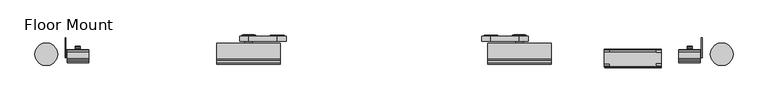
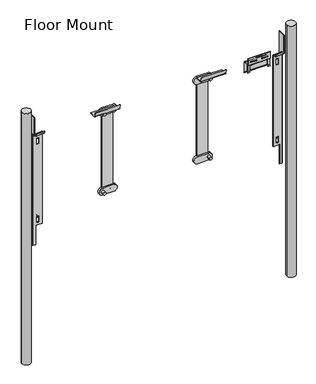
"""IFC4 building model written with IfcOpenShell, lengths in millimetres: furniture geometry, Floor Mount."""

from ifc_helpers import new_model, si_unit, point, frame, frame_2d, origin, place, context, project, spatial, polyline, circle_curve, trimmed, segment, composite_curve, outline, extrude, source, transform, mapped, element, save
from ifc_brep_helpers import plane_surface, cylinder_surface, revolved_surface, advanced_brep


def floor_mount_7f1169d4(model_context):
    return source(origin(), model_context, "Body", "SolidModel", [
        advanced_brep(
        [(1760.8806961, 10.8261246, 1726.6775513), (1760.8806961, 5.7461246, 1721.5975513), (1760.8806961, 5.7461246, 1676.8647449), (1760.8806961, 3.2667156, 1667.5526718), (1760.8806961, 5.3049075, 1667.009988), (1760.8806961, 7.8554071, 1676.5890606), (1760.8806961, 7.8554071, 1722.0281839), (1760.8806961, 10.3954071, 1724.5681839), (1760.8806961, 44.3963822, 1724.5681839), (1760.8806961, 46.9363822, 1722.0281839), (1760.8806961, 46.9363822, 1651.6051776), (1760.8806961, 49.5053746, 1642.0175675), (1760.8806961, 51.5428205, 1642.5634995), (1760.8806961, 49.0456951, 1651.8828981), (1760.8806961, 49.0456951, 1721.5975513), (1760.8806961, 43.9656951, 1726.6775513), (1745.8804489, 10.3954071, 1724.5681839), (1745.8804489, 7.8554071, 1722.0281839), (1745.8804489, 7.8554071, 1676.5890606), (1745.8804489, 5.3049075, 1667.009988), (1745.8804489, 3.2667156, 1667.5526718), (1745.8804489, 5.7461246, 1676.8647449), (1745.8804489, 5.7461246, 1721.5975513), (1745.8804489, 6.7052337, 1724.5681839), (1745.8804489, 10.8261246, 1726.6775513), (1745.8804489, 4.9316273, 1724.5681839), (1615.8884804, 4.9316273, 1724.5681839), (1615.8884804, 6.7052337, 1724.5681839), (1615.8884804, 10.3954071, 1724.5681839), (1600.8882332, 10.3954071, 1724.5681839), (1600.8882332, 44.3963822, 1724.5681839), (1615.8884804, 44.3963822, 1724.5681839), (1745.8804489, 44.3963822, 1724.5681839), (1745.8804489, 46.9363822, 1722.0281839), (1615.8884804, 46.9363822, 1722.0281839), (1600.8882332, 46.9363822, 1722.0281839), (1600.8882332, 46.9363822, 1651.6051776), (1600.8882332, 49.0456951, 1651.8828981), (1600.8882332, 49.0456951, 1721.5975513), (1615.8884804, 49.0456951, 1721.5975513), (1745.8804489, 49.0456951, 1721.5975513), (1745.8804489, 43.9656951, 1726.6775513), (1615.8884804, 43.9656951, 1726.6775513), (1600.8882332, 43.9656951, 1726.6775513), (1600.8882332, 10.8261246, 1726.6775513), (1615.8884804, 10.8261246, 1726.6775513), (1615.8884804, 4.9316273, 1726.6775513), (1745.8804489, 4.9316273, 1726.6775513), (1600.8882332, 49.5053746, 1642.0175675), (1600.8882332, 51.5428205, 1642.5634995), (1615.8884804, 5.7461246, 1721.5975513), (1615.8884804, 5.7461246, 1676.8647449), (1615.8884804, 3.2667156, 1667.5526718), (1615.8884804, 5.3049075, 1667.009988), (1615.8884804, 7.8554071, 1676.5890606), (1615.8884804, 7.8554071, 1722.0281839), (1600.8882332, 7.8554071, 1722.0281839), (1600.8882332, 7.8554071, 1676.5890606), (1600.8882332, 5.3049075, 1667.009988), (1600.8882332, 3.2667156, 1667.5526718), (1600.8882332, 5.7461246, 1676.8647449), (1600.8882332, 5.7461246, 1721.5975513)],
        [
            (0, 1, circle_curve(frame((1760.8806961, 10.8261246, 1721.5975513), z_axis=(1.0, 0.0, 0.0), x_axis=(0.0, 1.0, 0.0)), 5.08)),
            (1, 2),
            (2, 3),
            (3, 4),
            (4, 5),
            (5, 6),
            (6, 7, circle_curve(frame((1760.8806961, 10.3954071, 1722.0281839), z_axis=(-1.0, 0.0, 0.0), x_axis=(0.0, 1.0, 0.0)), 2.54)),
            (7, 8),
            (8, 9, circle_curve(frame((1760.8806961, 44.3963822, 1722.0281839), z_axis=(-1.0, 0.0, 0.0), x_axis=(0.0, 1.0, 0.0)), 2.54)),
            (9, 10),
            (10, 11),
            (11, 12),
            (12, 13),
            (13, 14),
            (14, 15, circle_curve(frame((1760.8806961, 43.9656951, 1721.5975513), z_axis=(1.0, 0.0, 0.0), x_axis=(0.0, 1.0, 0.0)), 5.08)),
            (15, 0),
            (16, 17, circle_curve(frame((1745.8804489, 10.3954071, 1722.0281839), z_axis=(1.0, 0.0, 0.0), x_axis=(0.0, 1.0, 0.0)), 2.54)),
            (17, 18),
            (18, 19),
            (19, 20),
            (20, 21),
            (21, 22),
            (22, 23, circle_curve(frame((1745.8804489, 10.8261246, 1721.5975513), z_axis=(-1.0, 0.0, 0.0), x_axis=(0.0, 1.0, 0.0)), 5.08)),
            (23, 16),
            (0, 24),
            (24, 23, circle_curve(frame((1745.8804489, 10.8261246, 1721.5975513), z_axis=(1.0, 0.0, 0.0), x_axis=(0.0, 1.0, 0.0)), 5.08)),
            (22, 1),
            (21, 2),
            (20, 3),
            (19, 4),
            (18, 5),
            (17, 6),
            (16, 7),
            (23, 25),
            (25, 26),
            (26, 27),
            (27, 28),
            (28, 29),
            (29, 30),
            (30, 31),
            (31, 32),
            (32, 8),
            (32, 33, circle_curve(frame((1745.8804489, 44.3963822, 1722.0281839), z_axis=(-1.0, 0.0, 0.0), x_axis=(0.0, 1.0, 0.0)), 2.54)),
            (33, 9),
            (33, 34),
            (34, 35),
            (35, 36),
            (36, 10),
            (13, 37),
            (37, 38),
            (38, 39),
            (39, 40),
            (40, 14),
            (40, 41, circle_curve(frame((1745.8804489, 43.9656951, 1721.5975513), z_axis=(1.0, 0.0, 0.0), x_axis=(0.0, 1.0, 0.0)), 5.08)),
            (41, 15),
            (41, 42),
            (42, 43),
            (43, 44),
            (44, 45),
            (45, 46),
            (46, 47),
            (47, 24),
            (36, 48),
            (48, 11),
            (48, 49),
            (49, 12),
            (49, 37),
            (47, 25),
            (26, 46),
            (45, 27, circle_curve(frame((1615.8884804, 10.8261246, 1721.5975513), z_axis=(1.0, 0.0, 0.0), x_axis=(0.0, 1.0, 0.0)), 5.08)),
            (31, 34, circle_curve(frame((1615.8884804, 44.3963822, 1722.0281839), z_axis=(-1.0, 0.0, 0.0), x_axis=(0.0, 1.0, 0.0)), 2.54)),
            (39, 42, circle_curve(frame((1615.8884804, 43.9656951, 1721.5975513), z_axis=(1.0, 0.0, 0.0), x_axis=(0.0, 1.0, 0.0)), 5.08)),
            (50, 51),
            (51, 52),
            (52, 53),
            (53, 54),
            (54, 55),
            (55, 28, circle_curve(frame((1615.8884804, 10.3954071, 1722.0281839), z_axis=(-1.0, 0.0, 0.0), x_axis=(0.0, 1.0, 0.0)), 2.54)),
            (27, 50, circle_curve(frame((1615.8884804, 10.8261246, 1721.5975513), z_axis=(1.0, 0.0, 0.0), x_axis=(0.0, 1.0, 0.0)), 5.08)),
            (43, 38, circle_curve(frame((1600.8882332, 43.9656951, 1721.5975513), z_axis=(-1.0, 0.0, 0.0), x_axis=(0.0, 1.0, 0.0)), 5.08)),
            (35, 30, circle_curve(frame((1600.8882332, 44.3963822, 1722.0281839), z_axis=(1.0, 0.0, 0.0), x_axis=(0.0, 1.0, 0.0)), 2.54)),
            (29, 56, circle_curve(frame((1600.8882332, 10.3954071, 1722.0281839), z_axis=(1.0, 0.0, 0.0), x_axis=(0.0, 1.0, 0.0)), 2.54)),
            (56, 57),
            (57, 58),
            (58, 59),
            (59, 60),
            (60, 61),
            (61, 44, circle_curve(frame((1600.8882332, 10.8261246, 1721.5975513), z_axis=(-1.0, 0.0, 0.0), x_axis=(0.0, 1.0, 0.0)), 5.08)),
            (61, 50),
            (60, 51),
            (59, 52),
            (58, 53),
            (57, 54),
            (56, 55),
        ],
        [
            plane_surface(frame((1760.8806961, 15.9061246, 1721.5975513), z_axis=(1.0, 0.0, 0.0), x_axis=(0.0, 0.0, 1.0))),
            plane_surface(frame((1745.8804489, 15.9061246, 1721.5975513), z_axis=(-1.0, 0.0, 0.0), x_axis=(0.0, 0.0, -1.0))),
            cylinder_surface(frame((1745.8804489, 10.8261246, 1721.5975513), z_axis=(1.0, 0.0, 0.0), x_axis=(0.0, 1.0, 0.0)), 5.08),
            plane_surface(frame((1760.8806961, 5.7461246, 1721.5975513), z_axis=(0.0, -1.0, 0.0), x_axis=(-1.0, 0.0, 0.0))),
            plane_surface(frame((1760.8806961, 5.7461246, 1676.8647449), z_axis=(0.0, -0.966333314937854, 0.25729345977155826), x_axis=(-1.0, 0.0, 0.0))),
            plane_surface(frame((1760.8806961, 3.2667156, 1667.5526718), z_axis=(0.0, -0.2572934597715108, -0.9663333149378666), x_axis=(-1.0, 0.0, 0.0))),
            plane_surface(frame((1760.8806961, 5.3049075, 1667.009988), z_axis=(0.0, 0.9663333149378529, -0.257293459771562), x_axis=(-1.0, 0.0, 0.0))),
            plane_surface(frame((1760.8806961, 7.8554071, 1676.5890606), z_axis=(0.0, 1.0, 0.0), x_axis=(-1.0, 0.0, 0.0))),
            revolved_surface(polyline([(1745.8804489, 12.935407099999999, 1722.0281839), (1760.8806961, 12.935407099999999, 1722.0281839)]), (1745.8804489, 10.3954071, 1722.0281839), (-1.0, 0.0, 0.0)),
            plane_surface(frame((1760.8806961, 10.3954071, 1724.5681839), z_axis=(0.0, 0.0, -1.0), x_axis=(-1.0, 0.0, 0.0))),
            revolved_surface(polyline([(1745.8804489, 46.9363822, 1722.0281839), (1760.8806961, 46.9363822, 1722.0281839)]), (1745.8804489, 44.3963822, 1722.0281839), (-1.0, 0.0, 0.0)),
            plane_surface(frame((1760.8806961, 46.9363822, 1722.0281839), z_axis=(0.0, -1.0, 0.0), x_axis=(-1.0, 0.0, 0.0))),
            plane_surface(frame((1760.8806961, 49.0456951, 1651.8828981), z_axis=(0.0, 1.0, 0.0), x_axis=(-1.0, 0.0, 0.0))),
            cylinder_surface(frame((1745.8804489, 43.9656951, 1721.5975513), z_axis=(1.0, 0.0, 0.0), x_axis=(0.0, 1.0, 0.0)), 5.08),
            plane_surface(frame((1760.8806961, 43.9656951, 1726.6775513), z_axis=(0.0, 0.0, 1.0), x_axis=(-1.0, 0.0, 0.0))),
            plane_surface(frame((1760.8806961, 46.9363822, 1651.6051776), z_axis=(0.0, -0.9659258262890699, -0.25881904510251513), x_axis=(-1.0, 0.0, 0.0))),
            plane_surface(frame((1760.8806961, 49.5053746, 1642.0175675), z_axis=(0.0, 0.2588190451025379, -0.9659258262890638), x_axis=(-1.0, 0.0, 0.0))),
            plane_surface(frame((1760.8806961, 51.5428205, 1642.5634995), z_axis=(0.0, 0.9659258262890699, 0.258819045102515), x_axis=(-1.0, 0.0, 0.0))),
            plane_surface(frame((1745.8804489, 10.3954071, 1724.5681839), z_axis=(1.0, 0.0, 0.0), x_axis=(0.0, 1.0, 0.0))),
            plane_surface(frame((1615.8884804, 10.3954071, 1724.5681839), z_axis=(-1.0, 0.0, 0.0), x_axis=(0.0, -1.0, 0.0))),
            revolved_surface(polyline([(1615.8884804, 46.9363822, 1722.0281839), (1745.8804489, 46.9363822, 1722.0281839)]), (1615.8884804, 44.3963822, 1722.0281839), (-1.0, 0.0, 0.0)),
            cylinder_surface(frame((1615.8884804, 43.9656951, 1721.5975513), z_axis=(1.0, 0.0, 0.0), x_axis=(0.0, 1.0, 0.0)), 5.08),
            plane_surface(frame((1745.8804489, 4.9316273, 1726.6775513), z_axis=(0.0, -1.0, 0.0), x_axis=(-1.0, 0.0, 0.0))),
            plane_surface(frame((1615.8884804, 15.9061246, 1721.5975513), z_axis=(1.0, 0.0, 0.0), x_axis=(0.0, 0.0, 1.0))),
            plane_surface(frame((1600.8882332, 15.9061246, 1721.5975513), z_axis=(-1.0, 0.0, 0.0), x_axis=(0.0, 0.0, -1.0))),
            cylinder_surface(frame((1600.8882332, 10.8261246, 1721.5975513), z_axis=(1.0, 0.0, 0.0), x_axis=(0.0, 1.0, 0.0)), 5.08),
            plane_surface(frame((1615.8884804, 5.7461246, 1721.5975513), z_axis=(0.0, -1.0, 0.0), x_axis=(-1.0, 0.0, 0.0))),
            plane_surface(frame((1615.8884804, 5.7461246, 1676.8647449), z_axis=(0.0, -0.966333314937854, 0.25729345977155826), x_axis=(-1.0, 0.0, 0.0))),
            plane_surface(frame((1615.8884804, 3.2667156, 1667.5526718), z_axis=(0.0, -0.2572934597715108, -0.9663333149378666), x_axis=(-1.0, 0.0, 0.0))),
            plane_surface(frame((1615.8884804, 5.3049075, 1667.009988), z_axis=(0.0, 0.9663333149378529, -0.257293459771562), x_axis=(-1.0, 0.0, 0.0))),
            plane_surface(frame((1615.8884804, 7.8554071, 1676.5890606), z_axis=(0.0, 1.0, 0.0), x_axis=(-1.0, 0.0, 0.0))),
            revolved_surface(polyline([(1600.8882332, 12.935407099999999, 1722.0281839), (1615.8884804, 12.935407099999999, 1722.0281839)]), (1600.8882332, 10.3954071, 1722.0281839), (-1.0, 0.0, 0.0)),
            revolved_surface(polyline([(1600.8882332, 46.9363822, 1722.0281839), (1615.8884804, 46.9363822, 1722.0281839)]), (1600.8882332, 44.3963822, 1722.0281839), (-1.0, 0.0, 0.0)),
            cylinder_surface(frame((1600.8882332, 43.9656951, 1721.5975513), z_axis=(1.0, 0.0, 0.0), x_axis=(0.0, 1.0, 0.0)), 5.08),
        ],
        [
            (0, [[1, 2, 3, 4, 5, 6, 7, 8, 9, 10, 11, 12, 13, 14, 15, 16]]),
            (1, [[17, 18, 19, 20, 21, 22, 23, 24]]),
            (2, [[-1, 25, 26, -23, 27]]),
            (3, [[-2, -27, -22, 28]]),
            (4, [[-3, -28, -21, 29]]),
            (5, [[-4, -29, -20, 30]]),
            (6, [[-5, -30, -19, 31]]),
            (7, [[-6, -31, -18, 32]]),
            (8, [[-7, -32, -17, 33]]),
            (9, [[-8, -33, -24, 34, 35, 36, 37, 38, 39, 40, 41, 42]]),
            (10, [[-9, -42, 43, 44]]),
            (11, [[-10, -44, 45, 46, 47, 48]]),
            (12, [[-14, 49, 50, 51, 52, 53]]),
            (13, [[-15, -53, 54, 55]]),
            (14, [[-16, -55, 56, 57, 58, 59, 60, 61, 62, -25]]),
            (15, [[-11, -48, 63, 64]]),
            (16, [[-12, -64, 65, 66]]),
            (17, [[-49, -13, -66, 67]]),
            (18, [[68, -34, -26, -62]]),
            (19, [[69, -60, 70, -36]]),
            (20, [[-41, 71, -45, -43]]),
            (21, [[-52, 72, -56, -54]]),
            (22, [[-68, -61, -69, -35]]),
            (23, [[73, 74, 75, 76, 77, 78, -37, 79]]),
            (24, [[-58, 80, -50, -67, -65, -63, -47, 81, -39, 82, 83, 84, 85, 86, 87, 88]]),
            (25, [[-88, 89, -79, -70, -59]]),
            (26, [[-73, -89, -87, 90]]),
            (27, [[-74, -90, -86, 91]]),
            (28, [[-75, -91, -85, 92]]),
            (29, [[-76, -92, -84, 93]]),
            (30, [[-77, -93, -83, 94]]),
            (31, [[-78, -94, -82, -38]]),
            (32, [[-81, -46, -71, -40]]),
            (33, [[-80, -57, -72, -51]]),
        ],
    ),
        advanced_brep(
        [(1760.4871155, 0.0, 1775.9183441), (1601.2755893, 0.0, 1775.9183441), (1601.2755893, 0.0, 1724.7897651), (1620.1061493, 0.0, 1724.7897651), (1741.670047, 0.0, 1724.7982096), (1760.4871155, 0.0, 1724.7897651), (1701.5498215, 0.0, 1749.7282761), (1739.7325684, 0.0, 1749.7282761), (1739.7325684, 0.0, 1742.2847382), (1701.5498215, 0.0, 1742.2847382), (1622.0438217, 0.0, 1749.7282761), (1660.2265686, 0.0, 1749.7282761), (1660.2265686, 0.0, 1742.2847382), (1622.0438217, 0.0, 1742.2847382), (1661.8935211, 0.0, 1769.7995316), (1699.8826752, 0.0, 1769.7995316), (1699.8826752, 0.0, 1762.1211243), (1661.8935211, 0.0, 1762.1211243), (1760.4871155, 2.1483972, 1775.9183441), (1760.4871155, 2.1483972, 1724.7897651), (1741.670047, 2.1483972, 1724.7897651), (1620.1061493, 2.1483972, 1724.803999), (1601.2755893, 2.1483972, 1724.7897651), (1601.2755893, 2.1483972, 1775.9183441), (1701.5498215, 2.1483972, 1749.7282761), (1701.5498215, 2.1483972, 1742.2847382), (1739.7325684, 2.1483972, 1742.2847382), (1739.7325684, 2.1483972, 1749.7282761), (1622.0438217, 2.1483972, 1749.7282761), (1622.0438217, 2.1483972, 1742.2847382), (1660.2265686, 2.1483972, 1742.2847382), (1660.2265686, 2.1483972, 1749.7282761), (1661.8935211, 2.1483972, 1769.7995316), (1661.8935211, 2.1483972, 1762.1211243), (1699.8826752, 2.1483972, 1762.1211243), (1699.8826752, 2.1483972, 1769.7995316), (1741.670047, 35.7731913, 1723.787999), (1741.670047, 3.1643972, 1723.787999), (1741.670047, 3.175, 1721.6232096), (1741.670047, 35.7731913, 1721.6232096), (1620.1061493, 35.7731913, 1723.787999), (1620.1061493, 35.7731913, 1721.6232096), (1620.1061493, 3.175, 1721.6232096), (1620.1061493, 3.1643972, 1723.787999)],
        [
            (0, 1),
            (1, 2),
            (2, 3),
            (3, 4),
            (4, 5),
            (5, 0),
            (6, 7),
            (7, 8, circle_curve(frame((1739.7325684, 0.0, 1746.0065071), z_axis=(0.0, 1.0, 0.0), x_axis=(1.0, 0.0, 0.0)), 3.721769)),
            (8, 9),
            (9, 6, circle_curve(frame((1701.5498215, 0.0, 1746.0065071), z_axis=(0.0, 1.0, 0.0), x_axis=(1.0, 0.0, 0.0)), 3.721769)),
            (10, 11),
            (11, 12, circle_curve(frame((1660.2265686, 0.0, 1746.0065071), z_axis=(0.0, 1.0, 0.0), x_axis=(1.0, 0.0, 0.0)), 3.721769)),
            (12, 13),
            (13, 10, circle_curve(frame((1622.0438217, 0.0, 1746.0065071), z_axis=(0.0, 1.0, 0.0), x_axis=(1.0, 0.0, 0.0)), 3.721769)),
            (14, 15),
            (15, 16, circle_curve(frame((1699.8826752, 0.0, 1765.9603279), z_axis=(0.0, 1.0, 0.0), x_axis=(1.0, 0.0, 0.0)), 3.8392036)),
            (16, 17),
            (17, 14, circle_curve(frame((1661.8935211, 0.0, 1765.9603279), z_axis=(0.0, 1.0, 0.0), x_axis=(1.0, 0.0, 0.0)), 3.8392036)),
            (18, 19),
            (19, 20),
            (20, 21),
            (21, 22),
            (22, 23),
            (23, 18),
            (24, 25, circle_curve(frame((1701.5498215, 2.1483972, 1746.0065071), z_axis=(0.0, -1.0, 0.0), x_axis=(1.0, 0.0, 0.0)), 3.721769)),
            (25, 26),
            (26, 27, circle_curve(frame((1739.7325684, 2.1483972, 1746.0065071), z_axis=(0.0, -1.0, 0.0), x_axis=(1.0, 0.0, 0.0)), 3.721769)),
            (27, 24),
            (28, 29, circle_curve(frame((1622.0438217, 2.1483972, 1746.0065071), z_axis=(0.0, -1.0, 0.0), x_axis=(1.0, 0.0, 0.0)), 3.721769)),
            (29, 30),
            (30, 31, circle_curve(frame((1660.2265686, 2.1483972, 1746.0065071), z_axis=(0.0, -1.0, 0.0), x_axis=(1.0, 0.0, 0.0)), 3.721769)),
            (31, 28),
            (32, 33, circle_curve(frame((1661.8935211, 2.1483972, 1765.9603279), z_axis=(0.0, -1.0, 0.0), x_axis=(1.0, 0.0, 0.0)), 3.8392036)),
            (33, 34),
            (34, 35, circle_curve(frame((1699.8826752, 2.1483972, 1765.9603279), z_axis=(0.0, -1.0, 0.0), x_axis=(1.0, 0.0, 0.0)), 3.8392036)),
            (35, 32),
            (0, 18),
            (23, 1),
            (22, 2),
            (21, 3),
            (4, 20),
            (19, 5),
            (6, 24),
            (27, 7),
            (26, 8),
            (25, 9),
            (10, 28),
            (31, 11),
            (30, 12),
            (29, 13),
            (14, 32),
            (35, 15),
            (34, 16),
            (33, 17),
            (36, 37),
            (37, 20, circle_curve(frame((1741.670047, 3.1643972, 1724.803999), z_axis=(-1.0, 0.0, 0.0), x_axis=(0.0, 1.0, 0.0)), 1.016)),
            (4, 38, circle_curve(frame((1741.670047, 3.175, 1724.7982096), z_axis=(1.0, 0.0, 0.0), x_axis=(0.0, 1.0, 0.0)), 3.175)),
            (38, 39),
            (39, 36),
            (40, 41),
            (41, 42),
            (42, 3, circle_curve(frame((1620.1061493, 3.175, 1724.7982096), z_axis=(-1.0, 0.0, 0.0), x_axis=(0.0, 1.0, 0.0)), 3.175)),
            (21, 43, circle_curve(frame((1620.1061493, 3.1643972, 1724.803999), z_axis=(1.0, 0.0, 0.0), x_axis=(0.0, 1.0, 0.0)), 1.016)),
            (43, 40),
            (36, 40),
            (43, 37),
            (42, 38),
            (41, 39),
        ],
        [
            plane_surface(frame((1760.4871155, 0.0, 1775.9183441), z_axis=(0.0, -1.0, 0.0), x_axis=(-1.0, 0.0, 0.0))),
            plane_surface(frame((1760.4871155, 2.1483972, 1775.9183441), z_axis=(0.0, 1.0, 0.0), x_axis=(1.0, 0.0, 0.0))),
            plane_surface(frame((1760.4871155, 0.0, 1775.9183441), z_axis=(0.0, 0.0, 1.0), x_axis=(0.0, 1.0, 0.0))),
            plane_surface(frame((1601.2755893, 0.0, 1775.9183441), z_axis=(-1.0, 0.0, 0.0), x_axis=(0.0, 1.0, 0.0))),
            plane_surface(frame((1601.2755893, 0.0, 1724.7897651), z_axis=(0.0, 0.0, -1.0), x_axis=(0.0, 1.0, 0.0))),
            plane_surface(frame((1741.670047, 0.0, 1724.7897651), z_axis=(0.0, 0.0, -1.0), x_axis=(0.0, 1.0, 0.0))),
            plane_surface(frame((1760.4871155, 0.0, 1724.7897651), z_axis=(1.0, 0.0, 0.0), x_axis=(0.0, 1.0, 0.0))),
            plane_surface(frame((1701.5498215, 0.0, 1749.7282761), z_axis=(0.0, 0.0, -1.0), x_axis=(0.0, 1.0, 0.0))),
            revolved_surface(polyline([(1743.4543374, 2.1483972, 1746.0065071), (1743.4543374, 0.0, 1746.0065071)]), (1739.7325684, 0.0, 1746.0065071), (0.0, 1.0, 0.0)),
            plane_surface(frame((1739.7325684, 0.0, 1742.2847382), z_axis=(0.0, 0.0, 1.0), x_axis=(0.0, 1.0, 0.0))),
            revolved_surface(polyline([(1705.2715905, 2.1483972, 1746.0065071), (1705.2715905, 0.0, 1746.0065071)]), (1701.5498215, 0.0, 1746.0065071), (0.0, 1.0, 0.0)),
            plane_surface(frame((1622.0438217, 0.0, 1749.7282761), z_axis=(0.0, 0.0, -1.0), x_axis=(0.0, 1.0, 0.0))),
            revolved_surface(polyline([(1663.9483376, 2.1483972, 1746.0065071), (1663.9483376, 0.0, 1746.0065071)]), (1660.2265686, 0.0, 1746.0065071), (0.0, 1.0, 0.0)),
            plane_surface(frame((1660.2265686, 0.0, 1742.2847382), z_axis=(0.0, 0.0, 1.0), x_axis=(0.0, 1.0, 0.0))),
            revolved_surface(polyline([(1625.7655907, 2.1483972, 1746.0065071), (1625.7655907, 0.0, 1746.0065071)]), (1622.0438217, 0.0, 1746.0065071), (0.0, 1.0, 0.0)),
            plane_surface(frame((1661.8935211, 0.0, 1769.7995316), z_axis=(0.0, 0.0, -1.0), x_axis=(0.0, 1.0, 0.0))),
            revolved_surface(polyline([(1703.7218788, 2.1483972, 1765.9603279), (1703.7218788, 0.0, 1765.9603279)]), (1699.8826752, 0.0, 1765.9603279), (0.0, 1.0, 0.0)),
            plane_surface(frame((1699.8826752, 0.0, 1762.1211243), z_axis=(0.0, 0.0, 1.0), x_axis=(0.0, 1.0, 0.0))),
            revolved_surface(polyline([(1665.7327247, 2.1483972, 1765.9603279), (1665.7327247, 0.0, 1765.9603279)]), (1661.8935211, 0.0, 1765.9603279), (0.0, 1.0, 0.0)),
            plane_surface(frame((1741.670047, 3.126838, 1723.787999), z_axis=(1.0, 0.0, 0.0), x_axis=(0.0, -1.0, 0.0))),
            plane_surface(frame((1620.1061493, 3.126838, 1723.787999), z_axis=(-1.0, 0.0, 0.0), x_axis=(0.0, 1.0, 0.0))),
            plane_surface(frame((1741.670047, 35.7731913, 1723.787999), z_axis=(0.0, 0.0, 1.0), x_axis=(-1.0, 0.0, 0.0))),
            revolved_surface(polyline([(1620.1061493, 4.1803972, 1724.803999), (1741.670047, 4.1803972, 1724.803999)]), (1620.1061493, 3.1643972, 1724.803999), (-1.0, 0.0, 0.0)),
            cylinder_surface(frame((1620.1061493, 3.175, 1724.7982096), z_axis=(1.0, 0.0, 0.0), x_axis=(0.0, 1.0, 0.0)), 3.175),
            plane_surface(frame((1741.670047, 3.175, 1721.6232096), z_axis=(0.0, 0.0, -1.0), x_axis=(-1.0, 0.0, 0.0))),
            plane_surface(frame((1741.670047, 35.7731913, 1721.6232096), z_axis=(0.0, 1.0, 0.0), x_axis=(-1.0, 0.0, 0.0))),
        ],
        [
            (0, [[1, 2, 3, 4, 5, 6], [7, 8, 9, 10], [11, 12, 13, 14], [15, 16, 17, 18]]),
            (1, [[19, 20, 21, 22, 23, 24], [25, 26, 27, 28], [29, 30, 31, 32], [33, 34, 35, 36]]),
            (2, [[-1, 37, -24, 38]]),
            (3, [[-2, -38, -23, 39]]),
            (4, [[-3, -39, -22, 40]]),
            (5, [[-5, 41, -20, 42]]),
            (6, [[-6, -42, -19, -37]]),
            (7, [[-7, 43, -28, 44]]),
            (8, [[-8, -44, -27, 45]]),
            (9, [[-9, -45, -26, 46]]),
            (10, [[-10, -46, -25, -43]]),
            (11, [[-11, 47, -32, 48]]),
            (12, [[-12, -48, -31, 49]]),
            (13, [[-13, -49, -30, 50]]),
            (14, [[-14, -50, -29, -47]]),
            (15, [[-15, 51, -36, 52]]),
            (16, [[-16, -52, -35, 53]]),
            (17, [[-17, -53, -34, 54]]),
            (18, [[-18, -54, -33, -51]]),
            (19, [[55, 56, -41, 57, 58, 59]]),
            (20, [[60, 61, 62, -40, 63, 64]]),
            (21, [[-55, 65, -64, 66]]),
            (22, [[-56, -66, -63, -21]]),
            (23, [[-57, -4, -62, 67]]),
            (24, [[-58, -67, -61, 68]]),
            (25, [[-59, -68, -60, -65]]),
        ],
    ),
        extrude(outline(composite_curve([segment(trimmed(circle_curve(frame_2d((56.6565827, 1083.5412674)), 2.54), [point((54.6826319, 1085.1397412))], [point((54.1368875, 1083.2207427))], True, "CARTESIAN"), True, "CONTINUOUS"), segment(polyline([(54.1368875, 1083.2207427), (56.1907824, 1067.0747532)]), True, "CONTINUOUS"), segment(trimmed(circle_curve(frame_2d((52.4112396, 1066.5939661)), 3.81), [point((56.1907824, 1067.0747532))], [point((52.4112396, 1062.7839661))], False, "CARTESIAN"), True, "CONTINUOUS"), segment(polyline([(52.4112396, 1062.7839661), (50.2569901, 1062.7839661), (50.2569901, 1064.930056), (52.8610242, 1064.930056)]), True, "CONTINUOUS"), segment(trimmed(circle_curve(frame_2d((52.8610242, 1066.200056)), 1.27), [point((52.8610242, 1064.930056))], [point((54.1208718, 1066.3603184))], True, "CARTESIAN"), True, "CONTINUOUS"), segment(polyline([(54.1208718, 1066.3603184), (51.9668517, 1083.2934076)]), True, "CONTINUOUS"), segment(trimmed(circle_curve(frame_2d((55.7463945, 1083.7741948)), 3.81), [point((51.9668517, 1083.2934076))], [point((52.7854684, 1086.1719054))], False, "CARTESIAN"), True, "CONTINUOUS"), segment(polyline([(52.7854684, 1086.1719054), (59.2734399, 1094.1838829), (60.9240473, 1092.8472473), (54.6826319, 1085.1397412)]), True, "CONTINUOUS")], self_intersect=False)), frame((115.327166, 0.0, 0.0), z_axis=(1.0, 0.0, 0.0), x_axis=(0.0, 1.0, 0.0)), (0.0, 0.0, 1.0), 14.1574692),
        extrude(outline(composite_curve([segment(trimmed(circle_curve(frame_2d((56.6565827, 1683.5478594)), 2.54), [point((54.6826319, 1685.1463332))], [point((54.1368875, 1683.2273347))], True, "CARTESIAN"), True, "CONTINUOUS"), segment(polyline([(54.1368875, 1683.2273347), (56.1907824, 1667.0813452)]), True, "CONTINUOUS"), segment(trimmed(circle_curve(frame_2d((52.4112396, 1666.6005581)), 3.81), [point((56.1907824, 1667.0813452))], [point((52.4112396, 1662.7905581))], False, "CARTESIAN"), True, "CONTINUOUS"), segment(polyline([(52.4112396, 1662.7905581), (49.273035, 1662.7905581), (49.273035, 1664.936648), (52.8610242, 1664.936648)]), True, "CONTINUOUS"), segment(trimmed(circle_curve(frame_2d((52.8610242, 1666.206648)), 1.27), [point((52.8610242, 1664.936648))], [point((54.1208718, 1666.3669104))], True, "CARTESIAN"), True, "CONTINUOUS"), segment(polyline([(54.1208718, 1666.3669104), (51.9668517, 1683.2999997)]), True, "CONTINUOUS"), segment(trimmed(circle_curve(frame_2d((55.7463945, 1683.7807868)), 3.81), [point((51.9668517, 1683.2999997))], [point((52.7854684, 1686.1784975))], False, "CARTESIAN"), True, "CONTINUOUS"), segment(polyline([(52.7854684, 1686.1784975), (59.2734399, 1694.1904749), (60.9240473, 1692.8538394), (54.6826319, 1685.1463332)]), True, "CONTINUOUS")], self_intersect=False)), frame((115.327166, 0.0, 0.0), z_axis=(1.0, 0.0, 0.0), x_axis=(0.0, 1.0, 0.0)), (0.0, 0.0, 1.0), 14.1574692),
        extrude(outline(composite_curve([segment(polyline([(25.5151544, 1707.0684769), (45.463035, 1707.0684769)]), True, "CONTINUOUS"), segment(trimmed(circle_curve(frame_2d((45.463035, 1703.2584769)), 3.81), [point((45.463035, 1707.0684769))], [point((49.273035, 1703.2584769))], False, "CARTESIAN"), True, "CONTINUOUS"), segment(polyline([(49.273035, 1703.2584769), (49.273035, 1700.1481084), (47.1258586, 1700.1481084), (47.1258586, 1702.6364838)]), True, "CONTINUOUS"), segment(trimmed(circle_curve(frame_2d((44.8398586, 1702.6364838)), 2.286), [point((47.1258586, 1702.6364838))], [point((44.8398586, 1704.9224838))], True, "CARTESIAN"), True, "CONTINUOUS"), segment(polyline([(44.8398586, 1704.9224838), (24.9290738, 1704.9224838)]), True, "CONTINUOUS"), segment(trimmed(circle_curve(frame_2d((24.9290738, 1708.7324838)), 3.81), [point((24.9290738, 1704.9224838))], [point((21.3488449, 1707.4293871))], False, "CARTESIAN"), True, "CONTINUOUS"), segment(polyline([(21.3488449, 1707.4293871), (14.4009112, 1726.5186779), (16.3933818, 1727.2438779), (23.1283351, 1708.7397457)]), True, "CONTINUOUS"), segment(trimmed(circle_curve(frame_2d((25.5151544, 1709.6084769)), 2.54), [point((23.1283351, 1708.7397457))], [point((25.5151544, 1707.0684769))], True, "CARTESIAN"), True, "CONTINUOUS")], self_intersect=False)), frame((92.5297203, 0.0, 0.0), z_axis=(1.0, 0.0, 0.0), x_axis=(0.0, 1.0, 0.0)), (0.0, 0.0, 1.0), 60.0000198),
        extrude(outline(polyline([(84.0985776, 863.7003815), (54.409442, 863.7003815), (54.409442, 1704.7005981), (28.4218404, 1704.7005981), (28.4218404, 1843.6936646), (84.0985776, 1843.6936646), (84.0985776, 863.7003815)])), frame((86.9270584, 0.0, 0.0), z_axis=(1.0, 0.0, 0.0), x_axis=(0.0, 1.0, 0.0)), (0.0, 0.0, 1.0), 2.1475433),
        extrude(outline(composite_curve([segment(polyline([(23.7470078, 1705.8466522), (69.6396249, 1705.8466522), (69.6396249, 1703.7006592), (24.0702334, 1703.7006592)]), True, "CONTINUOUS"), segment(trimmed(circle_curve(frame_2d((24.0702334, 1708.7806592)), 5.08), [point((24.0702334, 1703.7006592))], [point((19.1633302, 1707.4658584))], False, "CARTESIAN"), True, "CONTINUOUS"), segment(polyline([(19.1633302, 1707.4658584), (10.3342072, 1740.4165941), (12.3875835, 1740.9667946), (21.2935562, 1707.7292518)]), True, "CONTINUOUS"), segment(trimmed(circle_curve(frame_2d((23.7470078, 1708.3866522)), 2.54), [point((21.2935562, 1707.7292518))], [point((23.7470078, 1705.8466522))], True, "CARTESIAN"), True, "CONTINUOUS")], self_intersect=False)), frame((512.7067863, 0.0, 0.0), z_axis=(1.0, 0.0, 0.0), x_axis=(0.0, 1.0, 0.0)), (0.0, 0.0, 1.0), 178.5188215),
        extrude(outline(composite_curve([segment(trimmed(circle_curve(frame_2d((1676.2655121, 1361.8048615)), 14.921376), [point((1676.2655121, 1346.8834854))], [point((1676.2655121, 1376.7262375))], False, "CARTESIAN"), True, "CONTINUOUS"), segment(trimmed(circle_curve(frame_2d((1676.2655121, 1361.8048615)), 14.921376), [point((1676.2655121, 1376.7262375))], [point((1676.2655121, 1346.8834854))], False, "CARTESIAN"), True, "CONTINUOUS")], self_intersect=False)), frame((0.0, 90.9032098, 0.0), z_axis=(0.0, 1.0, 0.0), x_axis=(0.0, 0.0, 1.0)), (0.0, 0.0, 1.0), 1.4171551),
        extrude(outline(composite_curve([segment(trimmed(circle_curve(frame_2d((1075.6071004, 1361.8048615)), 14.921376), [point((1075.6071004, 1346.8834854))], [point((1075.6071004, 1376.7262375))], False, "CARTESIAN"), True, "CONTINUOUS"), segment(trimmed(circle_curve(frame_2d((1075.6071004, 1361.8048615)), 14.921376), [point((1075.6071004, 1376.7262375))], [point((1075.6071004, 1346.8834854))], False, "CARTESIAN"), True, "CONTINUOUS")], self_intersect=False)), frame((0.0, 90.9032098, 0.0), z_axis=(0.0, 1.0, 0.0), x_axis=(0.0, 0.0, 1.0)), (0.0, 0.0, 1.0), 1.4171551),
        extrude(outline(composite_curve([segment(trimmed(circle_curve(frame_2d((1676.2655121, 602.0962429)), 14.921376), [point((1676.2655121, 587.1748669))], [point((1676.2655121, 617.0176189))], False, "CARTESIAN"), True, "CONTINUOUS"), segment(trimmed(circle_curve(frame_2d((1676.2655121, 602.0962429)), 14.921376), [point((1676.2655121, 617.0176189))], [point((1676.2655121, 587.1748669))], False, "CARTESIAN"), True, "CONTINUOUS")], self_intersect=False)), frame((0.0, 90.9032098, 0.0), z_axis=(0.0, 1.0, 0.0), x_axis=(0.0, 0.0, 1.0)), (0.0, 0.0, 1.0), 1.4171551),
        extrude(outline(composite_curve([segment(trimmed(circle_curve(frame_2d((1075.6071004, 602.0962429)), 14.921376), [point((1075.6071004, 587.1748669))], [point((1075.6071004, 617.0176189))], False, "CARTESIAN"), True, "CONTINUOUS"), segment(trimmed(circle_curve(frame_2d((1075.6071004, 602.0962429)), 14.921376), [point((1075.6071004, 617.0176189))], [point((1075.6071004, 587.1748669))], False, "CARTESIAN"), True, "CONTINUOUS")], self_intersect=False)), frame((0.0, 90.9032098, 0.0), z_axis=(0.0, 1.0, 0.0), x_axis=(0.0, 0.0, 1.0)), (0.0, 0.0, 1.0), 1.4171551),
        extrude(outline(composite_curve([segment(trimmed(circle_curve(frame_2d((1676.2651245, 1281.8323204)), 19.1568733), [point((1676.2651245, 1262.6754471))], [point((1676.2651245, 1300.9891937))], False, "CARTESIAN"), True, "CONTINUOUS"), segment(trimmed(circle_curve(frame_2d((1676.2651245, 1281.8323204)), 19.1568733), [point((1676.2651245, 1300.9891937))], [point((1676.2651245, 1262.6754471))], False, "CARTESIAN"), True, "CONTINUOUS")], self_intersect=False)), frame((0.0, 89.2258082, 0.0), z_axis=(0.0, 1.0, 0.0), x_axis=(0.0, 0.0, 1.0)), (0.0, 0.0, 1.0), 1.6774016),
        extrude(outline(composite_curve([segment(trimmed(circle_curve(frame_2d((1676.2651245, 1361.8049583)), 19.1568733), [point((1676.2651245, 1342.648085))], [point((1676.2651245, 1380.9618317))], False, "CARTESIAN"), True, "CONTINUOUS"), segment(trimmed(circle_curve(frame_2d((1676.2651245, 1361.8049583)), 19.1568733), [point((1676.2651245, 1380.9618317))], [point((1676.2651245, 1342.648085))], False, "CARTESIAN"), True, "CONTINUOUS")], self_intersect=False)), frame((0.0, 89.2258082, 0.0), z_axis=(0.0, 1.0, 0.0), x_axis=(0.0, 0.0, 1.0)), (0.0, 0.0, 1.0), 1.6774016),
        extrude(outline(composite_curve([segment(trimmed(circle_curve(frame_2d((1075.6067129, 1281.8323204)), 19.1568733), [point((1075.6067129, 1262.6754471))], [point((1075.6067129, 1300.9891937))], False, "CARTESIAN"), True, "CONTINUOUS"), segment(trimmed(circle_curve(frame_2d((1075.6067129, 1281.8323204)), 19.1568733), [point((1075.6067129, 1300.9891937))], [point((1075.6067129, 1262.6754471))], False, "CARTESIAN"), True, "CONTINUOUS")], self_intersect=False)), frame((0.0, 89.2258082, 0.0), z_axis=(0.0, 1.0, 0.0), x_axis=(0.0, 0.0, 1.0)), (0.0, 0.0, 1.0), 1.6774016),
        extrude(outline(composite_curve([segment(trimmed(circle_curve(frame_2d((1075.6067129, 1361.8049583)), 19.1568733), [point((1075.6067129, 1342.648085))], [point((1075.6067129, 1380.9618317))], False, "CARTESIAN"), True, "CONTINUOUS"), segment(trimmed(circle_curve(frame_2d((1075.6067129, 1361.8049583)), 19.1568733), [point((1075.6067129, 1380.9618317))], [point((1075.6067129, 1342.648085))], False, "CARTESIAN"), True, "CONTINUOUS")], self_intersect=False)), frame((0.0, 89.2258082, 0.0), z_axis=(0.0, 1.0, 0.0), x_axis=(0.0, 0.0, 1.0)), (0.0, 0.0, 1.0), 1.6774016),
        extrude(outline(composite_curve([segment(trimmed(circle_curve(frame_2d((1676.2651245, 602.0963398)), 19.1568733), [point((1676.2651245, 582.9394665))], [point((1676.2651245, 621.2532131))], False, "CARTESIAN"), True, "CONTINUOUS"), segment(trimmed(circle_curve(frame_2d((1676.2651245, 602.0963398)), 19.1568733), [point((1676.2651245, 621.2532131))], [point((1676.2651245, 582.9394665))], False, "CARTESIAN"), True, "CONTINUOUS")], self_intersect=False)), frame((0.0, 89.2258082, 0.0), z_axis=(0.0, 1.0, 0.0), x_axis=(0.0, 0.0, 1.0)), (0.0, 0.0, 1.0), 1.6774016),
        extrude(outline(composite_curve([segment(trimmed(circle_curve(frame_2d((1676.2651245, 682.0689777)), 19.1568733), [point((1676.2651245, 662.9121044))], [point((1676.2651245, 701.2258511))], False, "CARTESIAN"), True, "CONTINUOUS"), segment(trimmed(circle_curve(frame_2d((1676.2651245, 682.0689777)), 19.1568733), [point((1676.2651245, 701.2258511))], [point((1676.2651245, 662.9121044))], False, "CARTESIAN"), True, "CONTINUOUS")], self_intersect=False)), frame((0.0, 89.2258082, 0.0), z_axis=(0.0, 1.0, 0.0), x_axis=(0.0, 0.0, 1.0)), (0.0, 0.0, 1.0), 1.6774016),
        extrude(outline(composite_curve([segment(trimmed(circle_curve(frame_2d((1075.6067129, 602.0963398)), 19.1568733), [point((1075.6067129, 582.9394665))], [point((1075.6067129, 621.2532131))], False, "CARTESIAN"), True, "CONTINUOUS"), segment(trimmed(circle_curve(frame_2d((1075.6067129, 602.0963398)), 19.1568733), [point((1075.6067129, 621.2532131))], [point((1075.6067129, 582.9394665))], False, "CARTESIAN"), True, "CONTINUOUS")], self_intersect=False)), frame((0.0, 89.2258082, 0.0), z_axis=(0.0, 1.0, 0.0), x_axis=(0.0, 0.0, 1.0)), (0.0, 0.0, 1.0), 1.6774016),
        extrude(outline(composite_curve([segment(trimmed(circle_curve(frame_2d((1075.6067129, 682.0689777)), 19.1568733), [point((1075.6067129, 662.9121044))], [point((1075.6067129, 701.2258511))], False, "CARTESIAN"), True, "CONTINUOUS"), segment(trimmed(circle_curve(frame_2d((1075.6067129, 682.0689777)), 19.1568733), [point((1075.6067129, 701.2258511))], [point((1075.6067129, 662.9121044))], False, "CARTESIAN"), True, "CONTINUOUS")], self_intersect=False)), frame((0.0, 89.2258082, 0.0), z_axis=(0.0, 1.0, 0.0), x_axis=(0.0, 0.0, 1.0)), (0.0, 0.0, 1.0), 1.6774016),
        extrude(outline(polyline([(682.0691715, 86.3858047), (602.0691128, 86.3858047), (602.0691128, 89.2258082), (682.0691715, 89.2258082), (682.0691715, 86.3858047)])), frame((0.0, 0.0, 1101.3286095), z_axis=(0.0, 0.0, 1.0), x_axis=(1.0, 0.0, 0.0)), (0.0, 0.0, 1.0), 549.2148293),
        extrude(outline(polyline([(1361.8050552, 86.3858047), (1281.8049965, 86.3858047), (1281.8049965, 89.2258082), (1361.8050552, 89.2258082), (1361.8050552, 86.3858047)])), frame((0.0, 0.0, 1101.3286095), z_axis=(0.0, 0.0, 1.0), x_axis=(1.0, 0.0, 0.0)), (0.0, 0.0, 1.0), 549.2148293),
        extrude(outline(composite_curve([segment(trimmed(circle_curve(frame_2d((1676.2652214, 1361.8050552)), 25.7217827), [point((1650.5434387, 1361.8050552))], [point((1701.9870041, 1361.8050552))], False, "CARTESIAN"), True, "CONTINUOUS"), segment(polyline([(1701.9870041, 1361.8050552), (1701.9870041, 1281.8048996)]), True, "CONTINUOUS"), segment(trimmed(circle_curve(frame_2d((1676.2652214, 1281.8048996)), 25.7217827), [point((1701.9870041, 1281.8048996))], [point((1650.5434387, 1281.8048996))], False, "CARTESIAN"), True, "CONTINUOUS"), segment(polyline([(1650.5434387, 1281.8048996), (1650.5434387, 1361.8050552)]), True, "CONTINUOUS")], self_intersect=False)), frame((0.0, 74.9533194, 0.0), z_axis=(0.0, 1.0, 0.0), x_axis=(0.0, 0.0, 1.0)), (0.0, 0.0, 1.0), 14.2724888),
        extrude(outline(composite_curve([segment(trimmed(circle_curve(frame_2d((1075.6068098, 1361.8050552)), 25.7217827), [point((1049.8850271, 1361.8050552))], [point((1101.3285925, 1361.8050552))], False, "CARTESIAN"), True, "CONTINUOUS"), segment(polyline([(1101.3285925, 1361.8050552), (1101.3285925, 1281.8048996)]), True, "CONTINUOUS"), segment(trimmed(circle_curve(frame_2d((1075.6068098, 1281.8048996)), 25.7217827), [point((1101.3285925, 1281.8048996))], [point((1049.8850271, 1281.8048996))], False, "CARTESIAN"), True, "CONTINUOUS"), segment(polyline([(1049.8850271, 1281.8048996), (1049.8850271, 1361.8050552)]), True, "CONTINUOUS")], self_intersect=False)), frame((0.0, 74.9533194, 0.0), z_axis=(0.0, 1.0, 0.0), x_axis=(0.0, 0.0, 1.0)), (0.0, 0.0, 1.0), 14.2724888),
        extrude(outline(composite_curve([segment(trimmed(circle_curve(frame_2d((1676.2652214, 682.0691715)), 25.7217827), [point((1650.5434387, 682.0691715))], [point((1701.9870041, 682.0691715))], False, "CARTESIAN"), True, "CONTINUOUS"), segment(polyline([(1701.9870041, 682.0691715), (1701.9870041, 602.0690159)]), True, "CONTINUOUS"), segment(trimmed(circle_curve(frame_2d((1676.2652214, 602.0690159)), 25.7217827), [point((1701.9870041, 602.0690159))], [point((1650.5434387, 602.0690159))], False, "CARTESIAN"), True, "CONTINUOUS"), segment(polyline([(1650.5434387, 602.0690159), (1650.5434387, 682.0691715)]), True, "CONTINUOUS")], self_intersect=False)), frame((0.0, 74.9533194, 0.0), z_axis=(0.0, 1.0, 0.0), x_axis=(0.0, 0.0, 1.0)), (0.0, 0.0, 1.0), 14.2724888),
        extrude(outline(composite_curve([segment(trimmed(circle_curve(frame_2d((1075.6068098, 682.0691715)), 25.7217827), [point((1049.8850271, 682.0691715))], [point((1101.3285925, 682.0691715))], False, "CARTESIAN"), True, "CONTINUOUS"), segment(polyline([(1101.3285925, 682.0691715), (1101.3285925, 602.0690159)]), True, "CONTINUOUS"), segment(trimmed(circle_curve(frame_2d((1075.6068098, 602.0690159)), 25.7217827), [point((1101.3285925, 602.0690159))], [point((1049.8850271, 602.0690159))], False, "CARTESIAN"), True, "CONTINUOUS"), segment(polyline([(1049.8850271, 602.0690159), (1049.8850271, 682.0691715)]), True, "CONTINUOUS")], self_intersect=False)), frame((0.0, 74.9533194, 0.0), z_axis=(0.0, 1.0, 0.0), x_axis=(0.0, 0.0, 1.0)), (0.0, 0.0, 1.0), 14.2724888),
        extrude(outline(composite_curve([segment(trimmed(circle_curve(frame_2d((1075.6067299, 602.0691612)), 10.624836), [point((1075.6067299, 591.4443253))], [point((1075.6067299, 612.6939972))], False, "CARTESIAN"), True, "CONTINUOUS"), segment(trimmed(circle_curve(frame_2d((1075.6067299, 602.0691612)), 10.624836), [point((1075.6067299, 612.6939972))], [point((1075.6067299, 591.4443253))], False, "CARTESIAN"), True, "CONTINUOUS")], self_intersect=False)), frame((0.0, 49.2724304, 0.0), z_axis=(0.0, 1.0, 0.0), x_axis=(0.0, 0.0, 1.0)), (0.0, 0.0, 1.0), 25.680889),
        extrude(outline(composite_curve([segment(trimmed(circle_curve(frame_2d((1676.2651415, 602.0691612)), 10.624836), [point((1676.2651415, 591.4443253))], [point((1676.2651415, 612.6939972))], False, "CARTESIAN"), True, "CONTINUOUS"), segment(trimmed(circle_curve(frame_2d((1676.2651415, 602.0691612)), 10.624836), [point((1676.2651415, 612.6939972))], [point((1676.2651415, 591.4443253))], False, "CARTESIAN"), True, "CONTINUOUS")], self_intersect=False)), frame((0.0, 49.2724304, 0.0), z_axis=(0.0, 1.0, 0.0), x_axis=(0.0, 0.0, 1.0)), (0.0, 0.0, 1.0), 25.680889),
        extrude(outline(composite_curve([segment(trimmed(circle_curve(frame_2d((1075.6067299, 1361.7777798)), 10.624836), [point((1075.6067299, 1351.1529438))], [point((1075.6067299, 1372.4026157))], False, "CARTESIAN"), True, "CONTINUOUS"), segment(trimmed(circle_curve(frame_2d((1075.6067299, 1361.7777798)), 10.624836), [point((1075.6067299, 1372.4026157))], [point((1075.6067299, 1351.1529438))], False, "CARTESIAN"), True, "CONTINUOUS")], self_intersect=False)), frame((0.0, 49.2724304, 0.0), z_axis=(0.0, 1.0, 0.0), x_axis=(0.0, 0.0, 1.0)), (0.0, 0.0, 1.0), 25.680889),
        extrude(outline(composite_curve([segment(trimmed(circle_curve(frame_2d((1676.2651415, 1361.7777798)), 10.624836), [point((1676.2651415, 1351.1529438))], [point((1676.2651415, 1372.4026157))], False, "CARTESIAN"), True, "CONTINUOUS"), segment(trimmed(circle_curve(frame_2d((1676.2651415, 1361.7777798)), 10.624836), [point((1676.2651415, 1372.4026157))], [point((1676.2651415, 1351.1529438))], False, "CARTESIAN"), True, "CONTINUOUS")], self_intersect=False)), frame((0.0, 49.2724304, 0.0), z_axis=(0.0, 1.0, 0.0), x_axis=(0.0, 0.0, 1.0)), (0.0, 0.0, 1.0), 25.680889),
        extrude(outline(composite_curve([segment(polyline([(23.7470078, 1705.8466522), (69.6396249, 1705.8466522), (69.6396249, 1703.7006592), (24.0702334, 1703.7006592)]), True, "CONTINUOUS"), segment(trimmed(circle_curve(frame_2d((24.0702334, 1708.7806592)), 5.08), [point((24.0702334, 1703.7006592))], [point((19.1633302, 1707.4658584))], False, "CARTESIAN"), True, "CONTINUOUS"), segment(polyline([(19.1633302, 1707.4658584), (10.3342072, 1740.4165941), (12.3875835, 1740.9667946), (21.2935562, 1707.7292518)]), True, "CONTINUOUS"), segment(trimmed(circle_curve(frame_2d((23.7470078, 1708.3866522)), 2.54), [point((21.2935562, 1707.7292518))], [point((23.7470078, 1705.8466522))], True, "CARTESIAN"), True, "CONTINUOUS")], self_intersect=False)), frame((1272.6484906, 0.0, 0.0), z_axis=(1.0, 0.0, 0.0), x_axis=(0.0, 1.0, 0.0)), (0.0, 0.0, 1.0), 178.4719007),
        extrude(outline(composite_curve([segment(trimmed(circle_curve(frame_2d((56.6565827, 1083.5412674)), 2.54), [point((54.6826319, 1085.1397412))], [point((54.1368875, 1083.2207427))], True, "CARTESIAN"), True, "CONTINUOUS"), segment(polyline([(54.1368875, 1083.2207427), (56.1907824, 1067.0747532)]), True, "CONTINUOUS"), segment(trimmed(circle_curve(frame_2d((52.4112396, 1066.5939661)), 3.81), [point((56.1907824, 1067.0747532))], [point((52.4112396, 1062.7839661))], False, "CARTESIAN"), True, "CONTINUOUS"), segment(polyline([(52.4112396, 1062.7839661), (50.2569901, 1062.7839661), (50.2569901, 1064.930056), (52.8610242, 1064.930056)]), True, "CONTINUOUS"), segment(trimmed(circle_curve(frame_2d((52.8610242, 1066.200056)), 1.27), [point((52.8610242, 1064.930056))], [point((54.1208718, 1066.3603184))], True, "CARTESIAN"), True, "CONTINUOUS"), segment(polyline([(54.1208718, 1066.3603184), (51.9668517, 1083.2934076)]), True, "CONTINUOUS"), segment(trimmed(circle_curve(frame_2d((55.7463945, 1083.7741948)), 3.81), [point((51.9668517, 1083.2934076))], [point((52.7854684, 1086.1719054))], False, "CARTESIAN"), True, "CONTINUOUS"), segment(polyline([(52.7854684, 1086.1719054), (59.2734399, 1094.1838829), (60.9240473, 1092.8472473), (54.6826319, 1085.1397412)]), True, "CONTINUOUS")], self_intersect=False)), frame((1832.7319305, 0.0, 0.0), z_axis=(1.0, 0.0, 0.0), x_axis=(0.0, 1.0, 0.0)), (0.0, 0.0, 1.0), 13.9111664),
        extrude(outline(composite_curve([segment(trimmed(circle_curve(frame_2d((56.6565827, 1683.5478594)), 2.54), [point((54.6826319, 1685.1463332))], [point((54.1368875, 1683.2273347))], True, "CARTESIAN"), True, "CONTINUOUS"), segment(polyline([(54.1368875, 1683.2273347), (56.1907824, 1667.0813452)]), True, "CONTINUOUS"), segment(trimmed(circle_curve(frame_2d((52.4112396, 1666.6005581)), 3.81), [point((56.1907824, 1667.0813452))], [point((52.4112396, 1662.7905581))], False, "CARTESIAN"), True, "CONTINUOUS"), segment(polyline([(52.4112396, 1662.7905581), (49.273035, 1662.7905581), (49.273035, 1664.936648), (52.8610242, 1664.936648)]), True, "CONTINUOUS"), segment(trimmed(circle_curve(frame_2d((52.8610242, 1666.206648)), 1.27), [point((52.8610242, 1664.936648))], [point((54.1208718, 1666.3669104))], True, "CARTESIAN"), True, "CONTINUOUS"), segment(polyline([(54.1208718, 1666.3669104), (51.9668517, 1683.2999997)]), True, "CONTINUOUS"), segment(trimmed(circle_curve(frame_2d((55.7463945, 1683.7807868)), 3.81), [point((51.9668517, 1683.2999997))], [point((52.7854684, 1686.1784975))], False, "CARTESIAN"), True, "CONTINUOUS"), segment(polyline([(52.7854684, 1686.1784975), (59.2734399, 1694.1904749), (60.9240473, 1692.8538394), (54.6826319, 1685.1463332)]), True, "CONTINUOUS")], self_intersect=False)), frame((1832.7319305, 0.0, 0.0), z_axis=(1.0, 0.0, 0.0), x_axis=(0.0, 1.0, 0.0)), (0.0, 0.0, 1.0), 13.9111664),
        extrude(outline(polyline([(1698.700383, 91.7364795), (863.7003815, 91.7364795), (863.7003815, 106.9689552), (1010.2315536, 106.9689552), (1010.2315536, 153.2663836), (1698.700383, 153.2663836), (1698.700383, 91.7364795)]), holes=[polyline([(1666.3360794, 115.327166), (1666.3360794, 129.4846352), (1621.7004318, 129.4846352), (1621.7004318, 115.327166), (1666.3360794, 115.327166)]), polyline([(1073.3274117, 115.327166), (1073.3274117, 129.4846352), (1028.6917641, 129.4846352), (1028.6917641, 115.327166), (1073.3274117, 115.327166)])]), frame((0.0, 49.1281588, 0.0), z_axis=(0.0, 1.0, 0.0), x_axis=(0.0, 0.0, 1.0)), (0.0, 0.0, 1.0), 2.1473738),
        extrude(outline(polyline([(1698.700383, 1870.441232), (1698.700383, 1808.9112915), (1010.2315536, 1808.9112915), (1010.2315536, 1855.2087199), (863.7003815, 1855.2087199), (863.7003815, 1870.441232), (1698.700383, 1870.441232)]), holes=[polyline([(1666.3360794, 1846.8505092), (1621.7004318, 1846.8505092), (1621.7004318, 1832.69304), (1666.3360794, 1832.69304), (1666.3360794, 1846.8505092)]), polyline([(1073.3274117, 1846.8505092), (1028.6917641, 1846.8505092), (1028.6917641, 1832.69304), (1073.3274117, 1832.69304), (1073.3274117, 1846.8505092)])]), frame((0.0, 49.1281588, 0.0), z_axis=(0.0, 1.0, 0.0), x_axis=(0.0, 0.0, 1.0)), (0.0, 0.0, 1.0), 2.1473738),
        extrude(outline(composite_curve([segment(polyline([(25.5151544, 1707.0684769), (45.463035, 1707.0684769)]), True, "CONTINUOUS"), segment(trimmed(circle_curve(frame_2d((45.463035, 1703.2584769)), 3.81), [point((45.463035, 1707.0684769))], [point((49.273035, 1703.2584769))], False, "CARTESIAN"), True, "CONTINUOUS"), segment(polyline([(49.273035, 1703.2584769), (49.273035, 1700.1481084), (47.1258586, 1700.1481084), (47.1258586, 1702.6364838)]), True, "CONTINUOUS"), segment(trimmed(circle_curve(frame_2d((44.8398586, 1702.6364838)), 2.286), [point((47.1258586, 1702.6364838))], [point((44.8398586, 1704.9224838))], True, "CARTESIAN"), True, "CONTINUOUS"), segment(polyline([(44.8398586, 1704.9224838), (24.9290738, 1704.9224838)]), True, "CONTINUOUS"), segment(trimmed(circle_curve(frame_2d((24.9290738, 1708.7324838)), 3.81), [point((24.9290738, 1704.9224838))], [point((21.3488449, 1707.4293871))], False, "CARTESIAN"), True, "CONTINUOUS"), segment(polyline([(21.3488449, 1707.4293871), (14.4009112, 1726.5186779), (16.3933818, 1727.2438779), (23.1283351, 1708.7397457)]), True, "CONTINUOUS"), segment(trimmed(circle_curve(frame_2d((25.5151544, 1709.6084769)), 2.54), [point((23.1283351, 1708.7397457))], [point((25.5151544, 1707.0684769))], True, "CARTESIAN"), True, "CONTINUOUS")], self_intersect=False)), frame((1809.7713165, 0.0, 0.0), z_axis=(1.0, 0.0, 0.0), x_axis=(0.0, 1.0, 0.0)), (0.0, 0.0, 1.0), 60.0002136),
        extrude(outline(composite_curve([segment(polyline([(1873.1031097, 54.409442), (1875.2506531, 54.409442), (1875.2506531, 52.3031588)]), True, "CONTINUOUS"), segment(trimmed(circle_curve(frame_2d((1872.0756531, 52.3031588)), 3.175), [point((1875.2506531, 52.3031588))], [point((1872.0756531, 49.1281588))], False, "CARTESIAN"), True, "CONTINUOUS"), segment(polyline([(1872.0756531, 49.1281588), (1870.441232, 49.1281588), (1870.441232, 51.2755326), (1871.8331097, 51.2755326)]), True, "CONTINUOUS"), segment(trimmed(circle_curve(frame_2d((1871.8331097, 52.5455326)), 1.27), [point((1871.8331097, 51.2755326))], [point((1873.1031097, 52.5455326))], True, "CARTESIAN"), True, "CONTINUOUS"), segment(polyline([(1873.1031097, 52.5455326), (1873.1031097, 54.409442)]), True, "CONTINUOUS")], self_intersect=False)), frame((0.0, 0.0, 863.7003815), z_axis=(0.0, 0.0, 1.0), x_axis=(1.0, 0.0, 0.0)), (0.0, 0.0, 1.0), 835.0000015),
        extrude(outline(composite_curve([segment(polyline([(89.0746017, 54.409442), (89.0746017, 52.5455326)]), True, "CONTINUOUS"), segment(trimmed(circle_curve(frame_2d((90.3446017, 52.5455326)), 1.27), [point((89.0746017, 52.5455326))], [point((90.3446017, 51.2755326))], True, "CARTESIAN"), True, "CONTINUOUS"), segment(polyline([(90.3446017, 51.2755326), (91.7364795, 51.2755326), (91.7364795, 49.1281588), (90.1020584, 49.1281588)]), True, "CONTINUOUS"), segment(trimmed(circle_curve(frame_2d((90.1020584, 52.3031588)), 3.175), [point((90.1020584, 49.1281588))], [point((86.9270584, 52.3031588))], False, "CARTESIAN"), True, "CONTINUOUS"), segment(polyline([(86.9270584, 52.3031588), (86.9270584, 54.409442), (89.0746017, 54.409442)]), True, "CONTINUOUS")], self_intersect=False)), frame((0.0, 0.0, 863.7003815), z_axis=(0.0, 0.0, 1.0), x_axis=(1.0, 0.0, 0.0)), (0.0, 0.0, 1.0), 835.0000015),
        extrude(outline(polyline([(84.0985776, 863.7003815), (54.409442, 863.7003815), (54.409442, 1704.7005981), (28.4218404, 1704.7005981), (28.4218404, 1843.6936646), (84.0985776, 1843.6936646), (84.0985776, 863.7003815)])), frame((1873.1031097, 0.0, 0.0), z_axis=(1.0, 0.0, 0.0), x_axis=(0.0, 1.0, 0.0)), (0.0, 0.0, 1.0), 2.1475433),
        extrude(outline(composite_curve([segment(trimmed(circle_curve(frame_2d((33.6267265, 38.0166035)), 31.75), [point((1.8767265, 38.0166035))], [point((65.3767265, 38.0166035))], False, "CARTESIAN"), True, "CONTINUOUS"), segment(trimmed(circle_curve(frame_2d((33.6267265, 38.0166035)), 31.75), [point((65.3767265, 38.0166035))], [point((1.8767265, 38.0166035))], False, "CARTESIAN"), True, "CONTINUOUS")], self_intersect=False)), frame((0.0, 0.0, 5.9655273), z_axis=(0.0, 0.0, 1.0), x_axis=(1.0, 0.0, 0.0)), (0.0, 0.0, 1.0), 1901.9344894),
        extrude(outline(composite_curve([segment(trimmed(circle_curve(frame_2d((1930.2266912, 38.0166035)), 31.75), [point((1898.4766912, 38.0166035))], [point((1961.9766912, 38.0166035))], False, "CARTESIAN"), True, "CONTINUOUS"), segment(trimmed(circle_curve(frame_2d((1930.2266912, 38.0166035)), 31.75), [point((1961.9766912, 38.0166035))], [point((1898.4766912, 38.0166035))], False, "CARTESIAN"), True, "CONTINUOUS")], self_intersect=False)), frame((0.0, 0.0, 5.9655273), z_axis=(0.0, 0.0, 1.0), x_axis=(1.0, 0.0, 0.0)), (0.0, 0.0, 1.0), 1901.9344894),
    ])


if __name__ == "__main__":
    model = new_model("IFC4")
    model_context = context("Model", 3, world=origin())
    ifc_project = project(units=[si_unit("LENGTHUNIT", "METRE", prefix="MILLI")], contexts=[model_context])
    site = spatial("IfcSite", under=ifc_project)
    building = spatial("IfcBuilding", under=site)
    placement = place(None, origin())
    floor_mount_shape = floor_mount_7f1169d4(model_context)
    element("IfcFurniture", 1, ObjectType="Floor Mount", at=placement, inside=building, context=model_context, shape_type="MappedRepresentation", body=[
        mapped(floor_mount_shape, transform((0.0, 0.0, 0.0), x_axis=(1.0, 0.0, 0.0), y_axis=(0.0, 1.0, 0.0), z_axis=(0.0, 0.0, 1.0))),
    ])
    save(model, "model.ifc")
